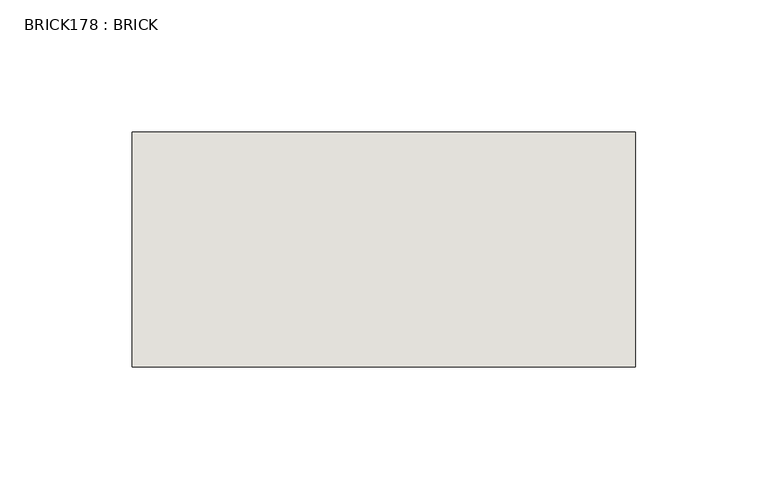
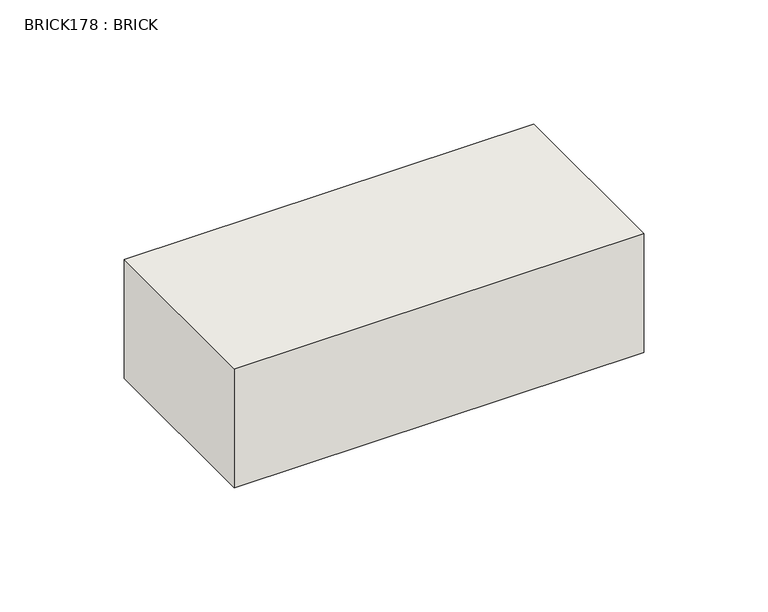
"""IFC4 building model written with IfcOpenShell, lengths in millimetres: wall geometry, BRICK178 : BRICK."""

from ifc_helpers import new_model, si_unit, frame, origin, place, context, project, spatial, polyline, outline, extrude, source, transform, mapped, element, save


def brick178_brick_c3c63d74(model_context):
    return source(origin(), model_context, "Body", "SweptSolid", [
        extrude(outline(polyline([(-362.3316239, 3062.3923312), (-171.8316239, 3062.3923312), (-171.8316239, 2973.4923312), (-362.3316239, 2973.4923312), (-362.3316239, 3062.3923312)])), frame((0.0, 0.0, 74.3148438), z_axis=(0.0, 0.0, 1.0), x_axis=(1.0, 0.0, 0.0)), (0.0, 0.0, 1.0), 58.4398437),
    ])


if __name__ == "__main__":
    model = new_model("IFC4")
    model_context = context("Model", 3, world=origin())
    ifc_project = project(units=[si_unit("LENGTHUNIT", "METRE", prefix="MILLI")], contexts=[model_context])
    site = spatial("IfcSite", under=ifc_project)
    building = spatial("IfcBuilding", under=site)
    placement = place(None, origin())
    brick178_brick_shape = brick178_brick_c3c63d74(model_context)
    element("IfcWall", 1, ObjectType="BRICK178 : BRICK", at=placement, inside=building, context=model_context, shape_type="MappedRepresentation", body=[
        mapped(brick178_brick_shape, transform((0.0, 0.0, 0.0), x_axis=(1.0, 0.0, 0.0), y_axis=(0.0, 1.0, 0.0), z_axis=(0.0, 0.0, 1.0))),
    ])
    save(model, "model.ifc")
